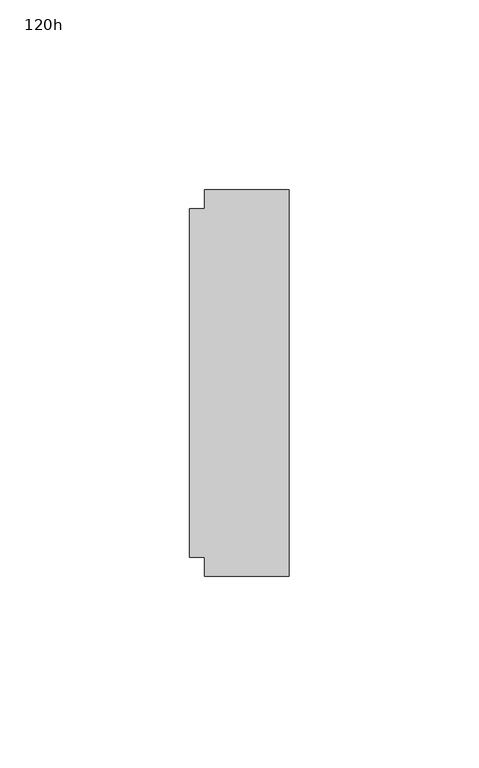
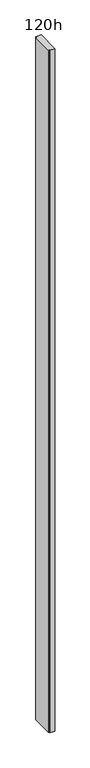
"""IFC4 building model written with IfcOpenShell, lengths in millimetres: furniture geometry, 120h."""

from ifc_helpers import new_model, si_unit, origin, origin_with_axes, place, context, project, spatial, polyline, outline, extrude, source, transform, mapped, element, save


def furniture_120h_0ab5b833(model_context):
    return source(origin(), model_context, "Body", "SweptSolid", [
        extrude(outline(polyline([(29.9771531, 66.301805), (52.2021531, 66.301805), (52.2021531, -35.298195), (29.9771531, -35.298195), (29.9771531, -30.345195), (26.0401531, -30.345195), (26.0401531, 61.348805), (29.9771531, 61.348805), (29.9771531, 66.301805)])), origin_with_axes(), (0.0, 0.0, 1.0), 3048.0),
    ])


if __name__ == "__main__":
    model = new_model("IFC4")
    model_context = context("Model", 3, world=origin())
    ifc_project = project(units=[si_unit("LENGTHUNIT", "METRE", prefix="MILLI")], contexts=[model_context])
    site = spatial("IfcSite", under=ifc_project)
    building = spatial("IfcBuilding", under=site)
    placement = place(None, origin())
    furniture_120h_shape = furniture_120h_0ab5b833(model_context)
    element("IfcFurniture", 1, ObjectType="120h", at=placement, inside=building, context=model_context, shape_type="MappedRepresentation", body=[
        mapped(furniture_120h_shape, transform((0.0, 0.0, 0.0), x_axis=(1.0, 0.0, 0.0), y_axis=(0.0, 1.0, 0.0), z_axis=(0.0, 0.0, 1.0))),
    ])
    save(model, "model.ifc")
